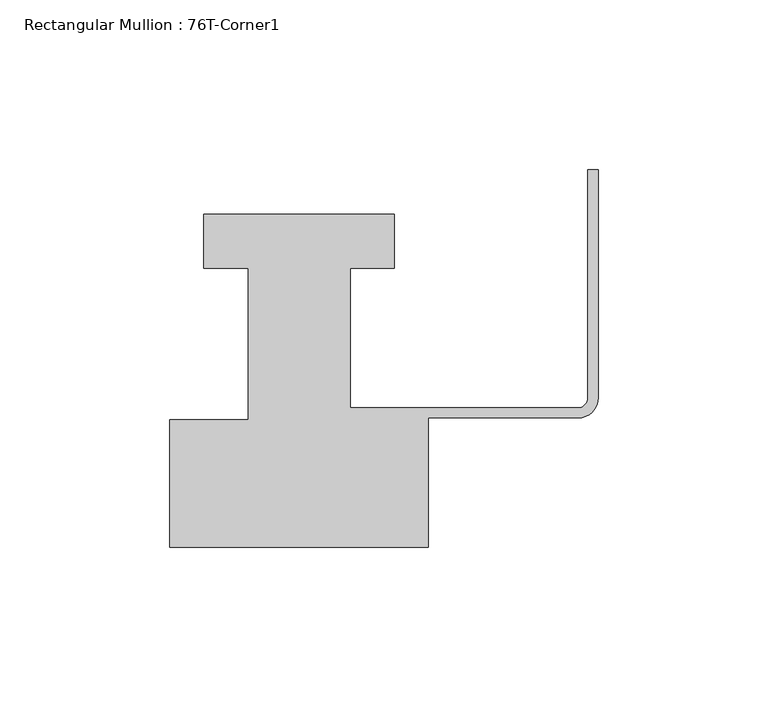
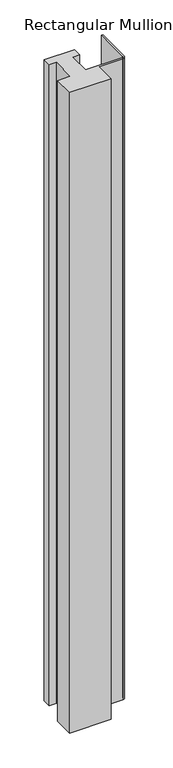
"""IFC4 building model written with IfcOpenShell, lengths in millimetres: member geometry, Rectangular Mullion : 76T-Corner1."""

from ifc_helpers import new_model, si_unit, point, frame, frame_2d, origin, place, context, project, spatial, polyline, circle_curve, trimmed, segment, composite_curve, outline, extrude, source, transform, mapped, element, save


def rectangular_mullion_76t_corner1_5c63518f(model_context):
    return source(origin(), model_context, "Body", "SweptSolid", [
        extrude(outline(composite_curve([segment(polyline([(-126.0, -38.0), (-126.0, -0.5), (-103.0, -0.5), (-103.0, 44.0), (-116.0, 44.0), (-116.0, 60.0), (-60.0, 60.0), (-60.0, 44.0), (-73.0, 44.0), (-73.0, 3.0), (-6.0, 3.0)]), True, "CONTINUOUS"), segment(trimmed(circle_curve(frame_2d((-6.0, 6.0)), 3.0), [point((-6.0, 3.0))], [point((-3.0, 6.0))], True, "CARTESIAN"), True, "CONTINUOUS"), segment(polyline([(-3.0, 6.0), (-3.0, 73.0), (0.0, 73.0), (0.0, 6.0)]), True, "CONTINUOUS"), segment(trimmed(circle_curve(frame_2d((-6.0, 6.0)), 6.0), [point((0.0, 6.0))], [point((-6.0, 0.0))], False, "CARTESIAN"), True, "CONTINUOUS"), segment(polyline([(-6.0, 0.0), (-50.0, 0.0), (-50.0, -38.0), (-126.0, -38.0)]), True, "CONTINUOUS")], self_intersect=False)), frame((0.0, 0.0, -1246.465707), z_axis=(0.0, 0.0, 1.0), x_axis=(1.0, 0.0, 0.0)), (0.0, 0.0, 1.0), 1246.465707),
    ])


if __name__ == "__main__":
    model = new_model("IFC4")
    model_context = context("Model", 3, world=origin())
    ifc_project = project(units=[si_unit("LENGTHUNIT", "METRE", prefix="MILLI")], contexts=[model_context])
    site = spatial("IfcSite", under=ifc_project)
    building = spatial("IfcBuilding", under=site)
    placement = place(None, origin())
    rectangular_mullion_76t_corner1_shape = rectangular_mullion_76t_corner1_5c63518f(model_context)
    element("IfcMember", 1, ObjectType="Rectangular Mullion : 76T-Corner1", at=placement, inside=building, context=model_context, shape_type="MappedRepresentation", body=[
        mapped(rectangular_mullion_76t_corner1_shape, transform((0.0, 0.0, 0.0), x_axis=(1.0, 0.0, 0.0), y_axis=(0.0, 1.0, 0.0), z_axis=(0.0, 0.0, 1.0))),
    ])
    save(model, "model.ifc")
